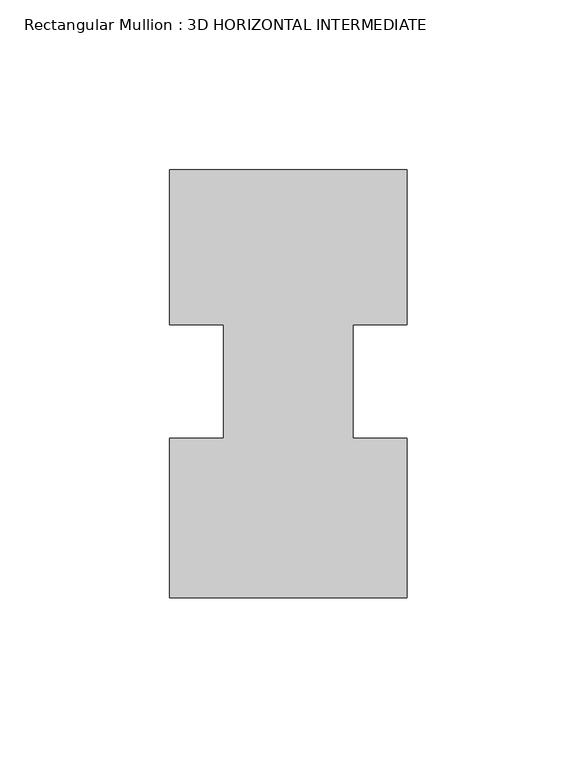
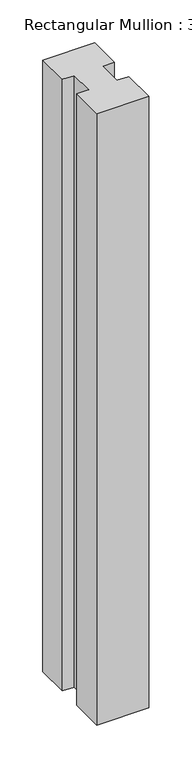
"""IFC4 building model written with IfcOpenShell, lengths in millimetres: member geometry, Rectangular Mullion : 3D HORIZONTAL INTERMEDIATE."""

from ifc_helpers import new_model, si_unit, frame, origin, place, context, project, spatial, polyline, outline, extrude, source, transform, mapped, element, save


def rectangular_mullion_3d_horizontal_intermediate_494cacca(model_context):
    return source(origin(), model_context, "Body", "SweptSolid", [
        extrude(outline(polyline([(-19.05, 16.678595), (-34.925, 16.678595), (-34.925, 62.251905), (34.925, 62.251905), (34.925, 16.678595), (19.05, 16.678595), (19.05, -16.678595), (34.925, -16.678595), (34.925, -63.528895), (-34.925, -63.528895), (-34.925, -16.6844264), (-19.05, -16.6844264), (-19.05, 16.678595)])), frame((0.0, 0.0, -870.3818097), z_axis=(0.0, 0.0, 1.0), x_axis=(1.0, 0.0, 0.0)), (0.0, 0.0, 1.0), 870.3818097),
    ])


if __name__ == "__main__":
    model = new_model("IFC4")
    model_context = context("Model", 3, world=origin())
    ifc_project = project(units=[si_unit("LENGTHUNIT", "METRE", prefix="MILLI")], contexts=[model_context])
    site = spatial("IfcSite", under=ifc_project)
    building = spatial("IfcBuilding", under=site)
    placement = place(None, origin())
    rectangular_mullion_3d_horizontal_intermediate_shape = rectangular_mullion_3d_horizontal_intermediate_494cacca(model_context)
    element("IfcMember", 1, ObjectType="Rectangular Mullion : 3D HORIZONTAL INTERMEDIATE", at=placement, inside=building, context=model_context, shape_type="MappedRepresentation", body=[
        mapped(rectangular_mullion_3d_horizontal_intermediate_shape, transform((0.0, 0.0, 0.0), x_axis=(1.0, 0.0, 0.0), y_axis=(0.0, 1.0, 0.0), z_axis=(0.0, 0.0, 1.0))),
    ])
    save(model, "model.ifc")
